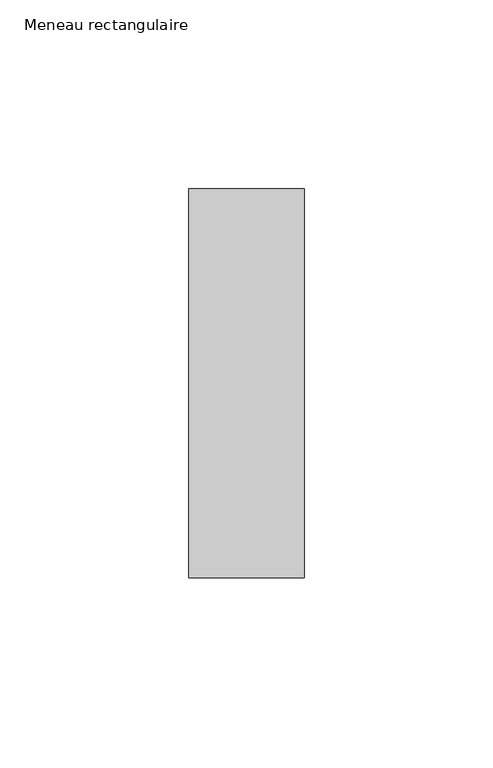
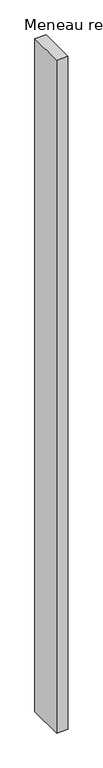
"""IFC4 building model written with IfcOpenShell, lengths in millimetres: member geometry, Meneau rectangulaire."""

from ifc_helpers import new_model, si_unit, frame, origin, place, context, project, spatial, polyline, outline, extrude, source, transform, mapped, element, save


def meneau_rectangulaire_970b92bf(model_context):
    return source(origin(), model_context, "Body", "SweptSolid", [
        extrude(outline(polyline([(-15.25, 51.4150874), (15.25, 51.4150874), (15.25, -51.5849126), (-15.25, -51.5849126), (-15.25, 51.4150874)])), frame((0.0, 0.0, -1947.7), z_axis=(0.0, 0.0, 1.0), x_axis=(1.0, 0.0, 0.0)), (0.0, 0.0, 1.0), 1947.7),
    ])


if __name__ == "__main__":
    model = new_model("IFC4")
    model_context = context("Model", 3, world=origin())
    ifc_project = project(units=[si_unit("LENGTHUNIT", "METRE", prefix="MILLI")], contexts=[model_context])
    site = spatial("IfcSite", under=ifc_project)
    building = spatial("IfcBuilding", under=site)
    placement = place(None, origin())
    meneau_rectangulaire_shape = meneau_rectangulaire_970b92bf(model_context)
    element("IfcMember", 1, ObjectType="Meneau rectangulaire", at=placement, inside=building, context=model_context, shape_type="MappedRepresentation", body=[
        mapped(meneau_rectangulaire_shape, transform((0.0, 0.0, 0.0), x_axis=(1.0, 0.0, 0.0), y_axis=(0.0, 1.0, 0.0), z_axis=(0.0, 0.0, 1.0))),
    ])
    save(model, "model.ifc")
